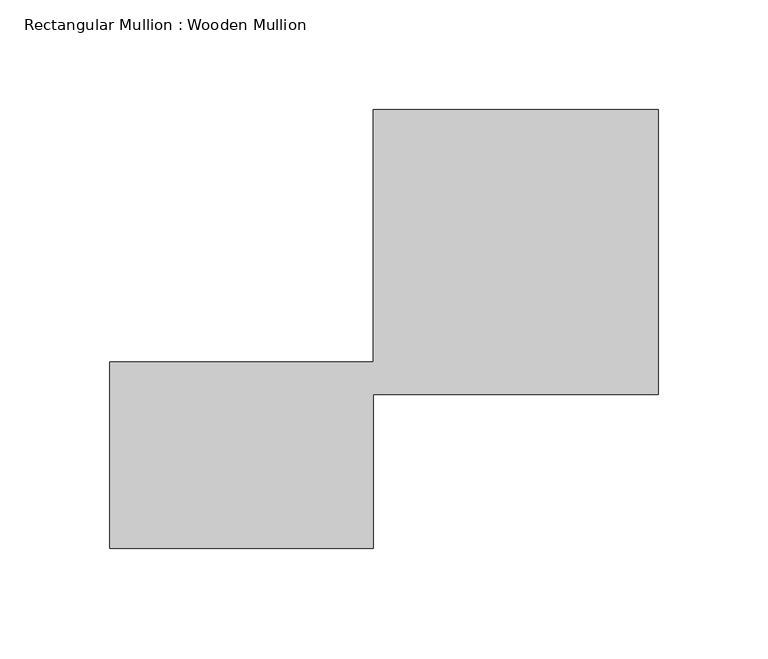
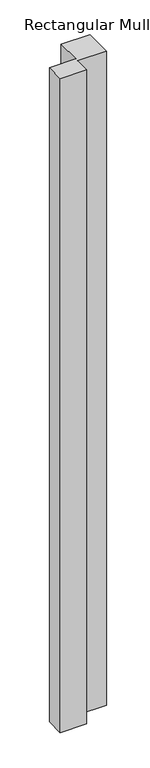
"""IFC4 building model written with IfcOpenShell, lengths in millimetres: member geometry, Rectangular Mullion : Wooden Mullion."""

from ifc_helpers import new_model, si_unit, frame, origin, place, context, project, spatial, polyline, outline, extrude, source, transform, mapped, element, save


def rectangular_mullion_wooden_mullion_f51e7d80(model_context):
    return source(origin(), model_context, "Body", "SweptSolid", [
        extrude(outline(polyline([(74.8100006, -26.0137344), (-45.1899994, -26.0137344), (-45.1899994, 58.9862656), (74.8100006, 58.9862656), (74.8100006, 173.9862656), (204.8100006, 173.9862656), (204.8100006, 43.9862656), (74.8100006, 43.9862656), (74.8100006, -26.0137344)])), frame((0.0, 0.0, -3134.9536639), z_axis=(0.0, 0.0, 1.0), x_axis=(1.0, 0.0, 0.0)), (0.0, 0.0, 1.0), 3134.9536639),
    ])


if __name__ == "__main__":
    model = new_model("IFC4")
    model_context = context("Model", 3, world=origin())
    ifc_project = project(units=[si_unit("LENGTHUNIT", "METRE", prefix="MILLI")], contexts=[model_context])
    site = spatial("IfcSite", under=ifc_project)
    building = spatial("IfcBuilding", under=site)
    placement = place(None, origin())
    rectangular_mullion_wooden_mullion_shape = rectangular_mullion_wooden_mullion_f51e7d80(model_context)
    element("IfcMember", 1, ObjectType="Rectangular Mullion : Wooden Mullion", at=placement, inside=building, context=model_context, shape_type="MappedRepresentation", body=[
        mapped(rectangular_mullion_wooden_mullion_shape, transform((0.0, 0.0, 0.0), x_axis=(1.0, 0.0, 0.0), y_axis=(0.0, 1.0, 0.0), z_axis=(0.0, 0.0, 1.0))),
    ])
    save(model, "model.ifc")
